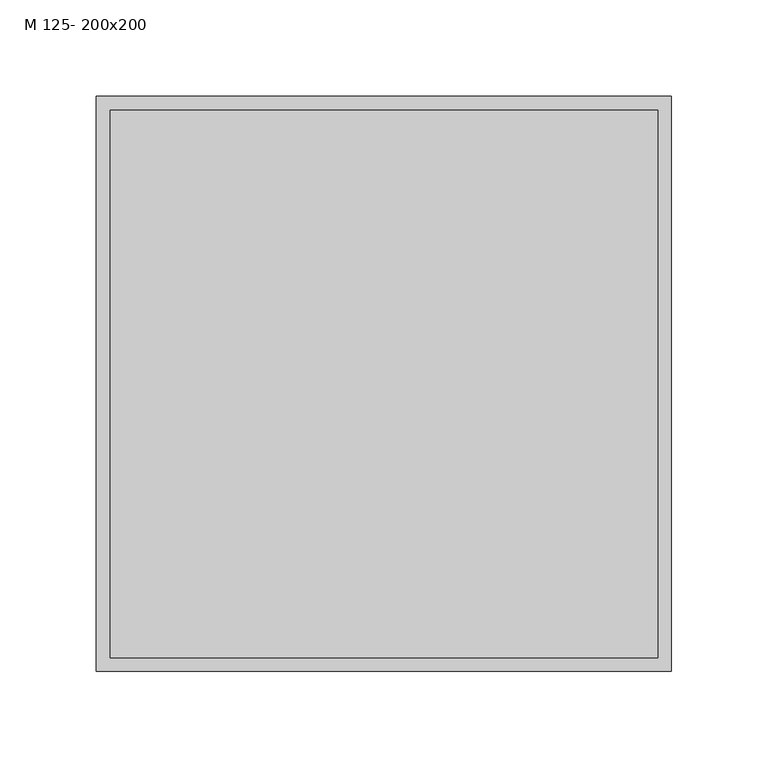
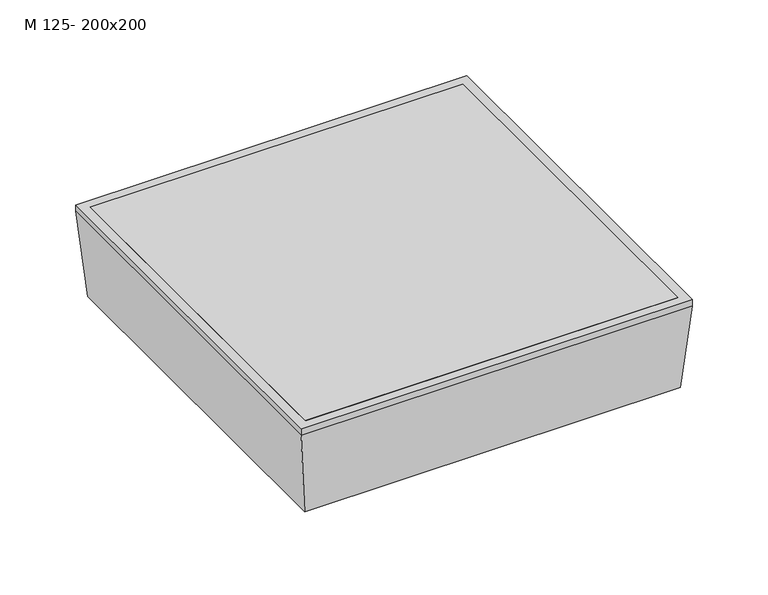
"""IFC4 building model written with IfcOpenShell, lengths in millimetres: proxy geometry, M 125- 200x200."""

from ifc_helpers import new_model, si_unit, frame, origin, place, context, project, spatial, polyline, outline, extrude, faceted_brep, source, transform, mapped, element, save


def m_125_200x200_70a2e894(model_context):
    return source(origin(), model_context, "Body", "SolidModel", [
        extrude(outline(polyline([(100.0, 100.0), (100.0, -100.0), (-100.0, -100.0), (-100.0, 100.0), (100.0, 100.0)])), frame((0.0, 0.0, -72.0), z_axis=(0.0, 0.0, 1.0), x_axis=(1.0, 0.0, 0.0)), (0.0, 0.0, 1.0), 2.0),
        extrude(outline(polyline([(141.9, 141.9), (141.9, -141.9), (-141.9, -141.9), (-141.9, 141.9), (141.9, 141.9)])), frame((0.0, 0.0, -5.0), z_axis=(0.0, 0.0, 1.0), x_axis=(1.0, 0.0, 0.0)), (0.0, 0.0, 1.0), 5.0),
        faceted_brep([(-100.0, 100.0, -72.5), (-100.0, 100.0, -70.5), (-100.0, -100.0, -70.5), (-100.0, -100.0, -72.5), (100.0, -100.0, -70.5), (100.0, -100.0, -72.5), (100.0, 100.0, -70.5), (100.0, 100.0, -72.5), (-149.0, -149.0, 0.0), (149.0, -149.0, 0.0), (149.0, 149.0, 0.0), (-149.0, 149.0, 0.0), (-141.9, 141.9, 0.0), (141.9, 141.9, 0.0), (141.9, -141.9, 0.0), (-141.9, -141.9, 0.0), (-149.0, 149.0, -5.0), (-143.0945152, 143.0945152, -72.5), (-143.0945152, -143.0945152, -72.5), (-149.0, -149.0, -5.0), (-141.9, 141.9, -2.0), (-141.9, -141.9, -2.0), (-147.0, 147.0, -4.9126781), (-147.0, 147.0, -2.0), (-147.0, -147.0, -2.0), (-147.0, -147.0, -4.9126781), (-141.2618529, 141.2618529, -70.5), (-141.2618529, -141.2618529, -70.5), (143.0945152, -143.0945152, -72.5), (149.0, -149.0, -5.0), (141.9, -141.9, -2.0), (147.0, -147.0, -2.0), (147.0, -147.0, -4.9126781), (141.2618529, -141.2618529, -70.5), (143.0945152, 143.0945152, -72.5), (149.0, 149.0, -5.0), (141.9, 141.9, -2.0), (147.0, 147.0, -2.0), (147.0, 147.0, -4.9126781), (141.2618529, 141.2618529, -70.5)], [[[0, 1, 2, 3]], [[3, 2, 4, 5]], [[5, 4, 6, 7]], [[8, 9, 10, 11], [12, 13, 14, 15]], [[7, 6, 1, 0]], [[16, 17, 18, 19]], [[11, 16, 19, 8]], [[20, 12, 15, 21]], [[22, 23, 24, 25]], [[26, 22, 25, 27]], [[19, 18, 28, 29]], [[8, 19, 29, 9]], [[21, 15, 14, 30]], [[25, 24, 31, 32]], [[27, 25, 32, 33]], [[29, 28, 34, 35]], [[9, 29, 35, 10]], [[30, 14, 13, 36]], [[32, 31, 37, 38]], [[33, 32, 38, 39]], [[17, 34, 28, 18], [3, 5, 7, 0]], [[35, 34, 17, 16]], [[10, 35, 16, 11]], [[36, 13, 12, 20]], [[23, 37, 31, 24], [21, 30, 36, 20]], [[38, 37, 23, 22]], [[39, 38, 22, 26]], [[27, 33, 39, 26], [1, 6, 4, 2]]]),
    ])


if __name__ == "__main__":
    model = new_model("IFC4")
    model_context = context("Model", 3, world=origin())
    ifc_project = project(units=[si_unit("LENGTHUNIT", "METRE", prefix="MILLI")], contexts=[model_context])
    site = spatial("IfcSite", under=ifc_project)
    building = spatial("IfcBuilding", under=site)
    placement = place(None, origin())
    m_125_200x200_shape = m_125_200x200_70a2e894(model_context)
    element("IfcBuildingElementProxy", 1, Name="M 125- 200x200", ObjectType="M 125- 200x200", at=placement, inside=building, context=model_context, shape_type="MappedRepresentation", body=[
        mapped(m_125_200x200_shape, transform((0.0, 0.0, 0.0), x_axis=(1.0, 0.0, 0.0), y_axis=(0.0, 1.0, 0.0), z_axis=(0.0, 0.0, 1.0))),
    ])
    save(model, "model.ifc")
